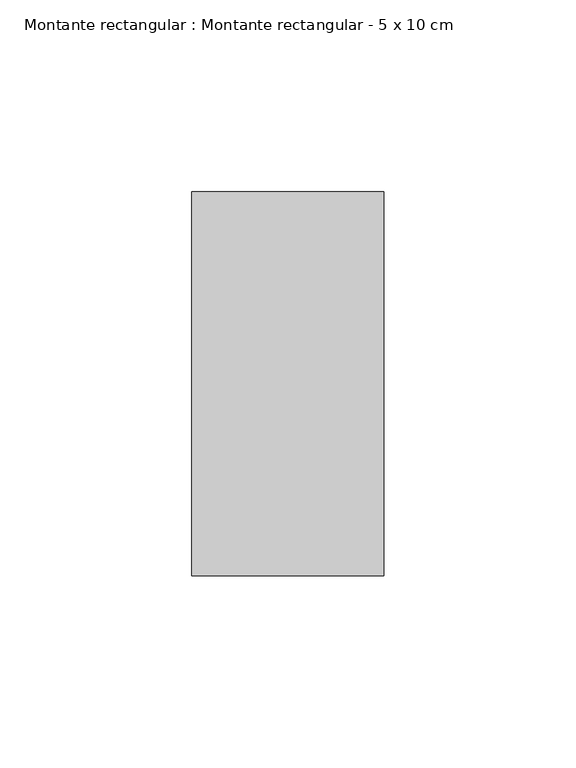
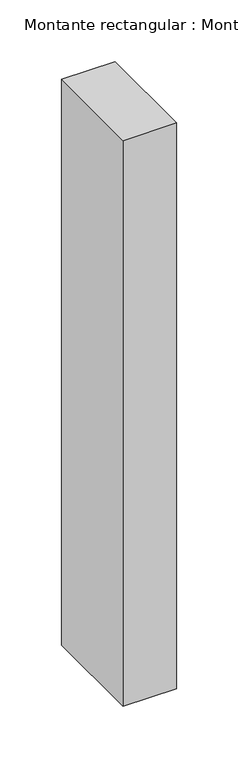
"""IFC4 building model written with IfcOpenShell, lengths in millimetres: member geometry, Montante rectangular : Montante rectangular - 5 x 10 cm."""

from ifc_helpers import new_model, si_unit, frame, origin, place, context, project, spatial, polyline, outline, extrude, source, transform, mapped, element, save


def montante_rectangular_montante_rectangular_5_x_10_cm_782d651c(model_context):
    return source(origin(), model_context, "Body", "SweptSolid", [
        extrude(outline(polyline([(0.0, 50.0), (0.0, -50.0), (-50.0, -50.0), (-50.0, 50.0), (0.0, 50.0)])), frame((0.0, 0.0, -560.0), z_axis=(0.0, 0.0, 1.0), x_axis=(1.0, 0.0, 0.0)), (0.0, 0.0, 1.0), 560.0),
    ])


if __name__ == "__main__":
    model = new_model("IFC4")
    model_context = context("Model", 3, world=origin())
    ifc_project = project(units=[si_unit("LENGTHUNIT", "METRE", prefix="MILLI")], contexts=[model_context])
    site = spatial("IfcSite", under=ifc_project)
    building = spatial("IfcBuilding", under=site)
    placement = place(None, origin())
    montante_rectangular_montante_rectangular_5_x_10_cm_shape = montante_rectangular_montante_rectangular_5_x_10_cm_782d651c(model_context)
    element("IfcMember", 1, ObjectType="Montante rectangular : Montante rectangular - 5 x 10 cm", at=placement, inside=building, context=model_context, shape_type="MappedRepresentation", body=[
        mapped(montante_rectangular_montante_rectangular_5_x_10_cm_shape, transform((0.0, 0.0, 0.0), x_axis=(1.0, 0.0, 0.0), y_axis=(0.0, 1.0, 0.0), z_axis=(0.0, 0.0, 1.0))),
    ])
    save(model, "model.ifc")
